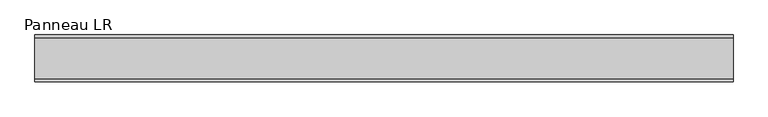
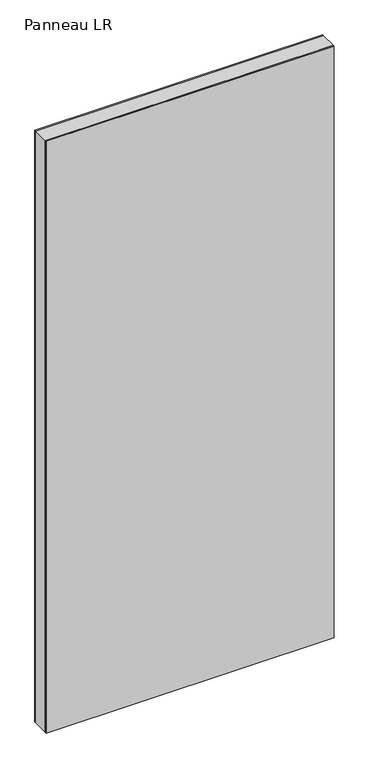
"""IFC4 building model written with IfcOpenShell, lengths in millimetres: plate geometry, Panneau LR."""

from ifc_helpers import new_model, si_unit, frame, origin, origin_with_axes, place, context, project, spatial, polyline, outline, extrude, source, transform, mapped, element, save


def panneau_lr_95a6942e(model_context):
    return source(origin(), model_context, "Body", "SweptSolid", [
        extrude(outline(polyline([(2910.0, 670.6250001), (2910.0, -670.6250001), (0.0, -670.6250001), (0.0, 670.6250001), (2910.0, 670.6250001)]), holes=[polyline([(30.0, -630.6250001), (2884.0, -630.6250001), (2884.0, 630.6250001), (30.0, 630.6250001), (30.0, -630.6250001)])]), frame((0.0, -39.0, 0.0), z_axis=(0.0, 1.0, 0.0), x_axis=(0.0, 0.0, 1.0)), (0.0, 0.0, 1.0), 78.0),
        extrude(outline(polyline([(670.6250001, 39.0), (-670.6250001, 39.0), (-670.6250001, 45.0), (670.6250001, 45.0), (670.6250001, 39.0)])), origin_with_axes(), (0.0, 0.0, 1.0), 2910.0),
        extrude(outline(polyline([(-670.6250001, -45.0), (-670.6250001, -39.0), (670.6250001, -39.0), (670.6250001, -45.0), (-670.6250001, -45.0)])), origin_with_axes(), (0.0, 0.0, 1.0), 2910.0),
    ])


if __name__ == "__main__":
    model = new_model("IFC4")
    model_context = context("Model", 3, world=origin())
    ifc_project = project(units=[si_unit("LENGTHUNIT", "METRE", prefix="MILLI")], contexts=[model_context])
    site = spatial("IfcSite", under=ifc_project)
    building = spatial("IfcBuilding", under=site)
    placement = place(None, origin())
    panneau_lr_shape = panneau_lr_95a6942e(model_context)
    element("IfcPlate", 1, ObjectType="Panneau LR", at=placement, inside=building, context=model_context, shape_type="MappedRepresentation", body=[
        mapped(panneau_lr_shape, transform((0.0, 0.0, 0.0), x_axis=(1.0, 0.0, 0.0), y_axis=(0.0, 1.0, 0.0), z_axis=(0.0, 0.0, 1.0))),
    ])
    save(model, "model.ifc")
